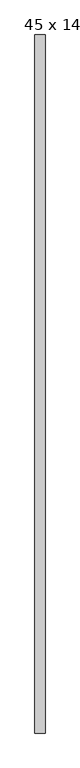
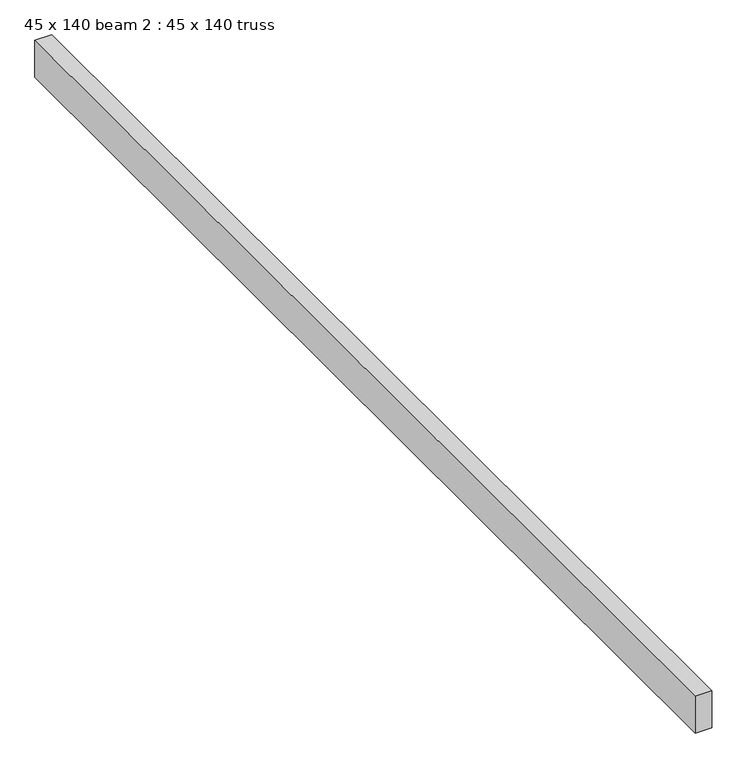
"""IFC4 building model written with IfcOpenShell, lengths in millimetres: proxy geometry, 45 x 140 beam 2 : 45 x 140 truss."""

from ifc_helpers import new_model, si_unit, frame, origin, place, context, project, spatial, polyline, outline, extrude, source, transform, mapped, element, save


def proxy_45_x_140_beam_2_45_x_140_truss_622256ae(model_context):
    return source(origin(), model_context, "Body", "SweptSolid", [
        extrude(outline(polyline([(-1197.0226803, -4545.130694), (-1242.0226803, -4545.130694), (-1242.0226803, -1455.130694), (-1197.0226803, -1455.130694), (-1197.0226803, -4545.130694)])), frame((0.0, 0.0, 3679.1177703), z_axis=(0.0, 0.0, 1.0), x_axis=(1.0, 0.0, 0.0)), (0.0, 0.0, 1.0), 105.1275103),
    ])


if __name__ == "__main__":
    model = new_model("IFC4")
    model_context = context("Model", 3, world=origin())
    ifc_project = project(units=[si_unit("LENGTHUNIT", "METRE", prefix="MILLI")], contexts=[model_context])
    site = spatial("IfcSite", under=ifc_project)
    building = spatial("IfcBuilding", under=site)
    placement = place(None, origin())
    proxy_45_x_140_beam_2_45_x_140_truss_shape = proxy_45_x_140_beam_2_45_x_140_truss_622256ae(model_context)
    element("IfcBuildingElementProxy", 1, Name="45 x 140 beam 2 : 45 x 140 truss", ObjectType="45 x 140 beam 2 : 45 x 140 truss", at=placement, inside=building, context=model_context, shape_type="MappedRepresentation", body=[
        mapped(proxy_45_x_140_beam_2_45_x_140_truss_shape, transform((0.0, 0.0, 0.0), x_axis=(1.0, 0.0, 0.0), y_axis=(0.0, 1.0, 0.0), z_axis=(0.0, 0.0, 1.0))),
    ])
    save(model, "model.ifc")
